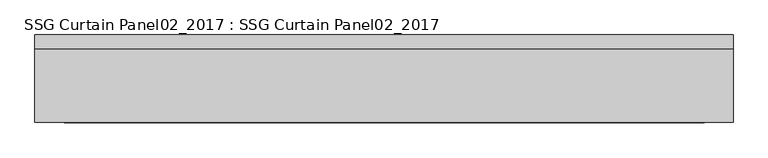
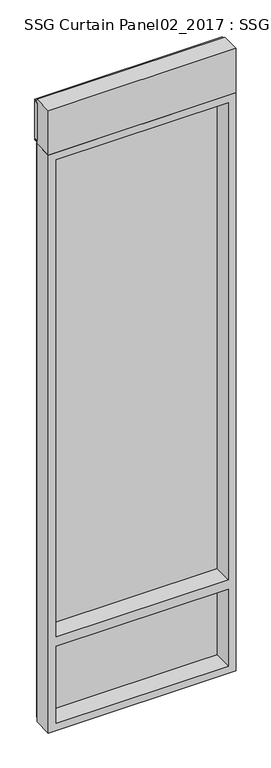
"""IFC4 building model written with IfcOpenShell, lengths in millimetres: plate geometry, SSG Curtain Panel02_2017 : SSG Curtain Panel02_2017."""

from ifc_helpers import new_model, si_unit, frame, origin, place, context, project, spatial, polyline, outline, extrude, faceted_brep, source, transform, mapped, element, save


def ssg_curtain_panel02_2017_ssg_curtain_panel02_2017_7f4b0baf(model_context):
    return source(origin(), model_context, "Body", "SolidModel", [
        faceted_brep([(558.8, -152.4, 50.8), (558.8, -25.4, 50.8), (-558.8, -25.4, 50.8), (-558.8, -152.4, 50.8), (609.6, -25.4, 0.0), (609.6, -152.4, 0.0), (-609.6, -152.4, 0.0), (-609.6, -25.4, 0.0), (596.9, 0.0, 12.7), (596.9, -25.4, 12.7), (-596.9, -25.4, 12.7), (-596.9, 0.0, 12.7), (590.55, -25.4, 19.05), (590.55, 0.0, 19.05), (-590.55, 0.0, 19.05), (-590.55, -25.4, 19.05), (-558.8, -25.4, 577.85), (-558.8, -152.4, 577.85), (-558.8, -25.4, 3911.6), (-558.8, -152.4, 3911.6), (-558.8, -152.4, 641.35), (-558.8, -25.4, 641.35), (-609.6, -152.4, 3962.4), (-609.6, -25.4, 3962.4), (-596.9, -25.4, 3949.7), (-596.9, 0.0, 3949.7), (-590.55, 0.0, 3943.35), (-590.55, -25.4, 3943.35), (558.8, -25.4, 3911.6), (558.8, -152.4, 3911.6), (609.6, -152.4, 3962.4), (609.6, -25.4, 3962.4), (596.9, -25.4, 3949.7), (596.9, 0.0, 3949.7), (590.55, 0.0, 3943.35), (590.55, -25.4, 3943.35), (558.8, -25.4, 577.85), (558.8, -25.4, 641.35), (584.2, -25.4, 603.25), (584.2, -25.4, 615.95), (-584.2, -25.4, 615.95), (-584.2, -25.4, 603.25), (558.8, -152.4, 577.85), (558.8, -152.4, 641.35), (584.2, 0.0, 603.25), (584.2, 0.0, 615.95), (-584.2, 0.0, 615.95), (-584.2, 0.0, 603.25)], [[[0, 1, 2, 3]], [[4, 5, 6, 7]], [[8, 9, 10, 11]], [[12, 13, 14, 15]], [[3, 2, 16, 17]], [[18, 19, 20, 21]], [[7, 6, 22, 23]], [[11, 10, 24, 25]], [[15, 14, 26, 27]], [[19, 18, 28, 29]], [[23, 22, 30, 31]], [[25, 24, 32, 33]], [[27, 26, 34, 35]], [[12, 15, 27, 35], [2, 1, 36, 16], [18, 21, 37, 28], [38, 39, 40, 41]], [[1, 0, 42, 36]], [[29, 28, 37, 43]], [[6, 5, 30, 22], [0, 3, 17, 42], [29, 43, 20, 19]], [[5, 4, 31, 30]], [[4, 7, 23, 31], [10, 9, 32, 24]], [[9, 8, 33, 32]], [[8, 11, 25, 33], [14, 13, 34, 26]], [[13, 12, 35, 34]], [[38, 44, 45, 39]], [[40, 46, 47, 41]], [[37, 21, 20, 43]], [[16, 36, 42, 17]], [[44, 38, 41, 47]], [[45, 44, 47, 46]], [[40, 39, 45, 46]]]),
        extrude(outline(polyline([(609.6, -25.4), (-609.6, -25.4), (-609.6, 0.0), (609.6, 0.0), (609.6, -25.4)])), frame((0.0, 0.0, 3987.8), z_axis=(0.0, 0.0, 1.0), x_axis=(1.0, 0.0, 0.0)), (0.0, 0.0, 1.0), 254.0),
        extrude(outline(polyline([(0.0, 3981.45), (0.0, 3975.1), (-25.4, 3975.1), (-25.4, 3962.4), (-152.4, 3962.4), (-152.4, 4267.2), (-25.4, 4267.2), (-25.4, 4254.5), (0.0, 4254.5), (0.0, 4248.15), (-25.4, 4248.15), (-25.4, 3981.45), (0.0, 3981.45)])), frame((-609.6, 0.0, 0.0), z_axis=(1.0, 0.0, 0.0), x_axis=(0.0, 1.0, 0.0)), (0.0, 0.0, 1.0), 1219.2),
        extrude(outline(polyline([(584.2, -25.4), (-584.2, -25.4), (-584.2, 0.0), (584.2, 0.0), (584.2, -25.4)])), frame((0.0, 0.0, 25.4), z_axis=(0.0, 0.0, 1.0), x_axis=(1.0, 0.0, 0.0)), (0.0, 0.0, 1.0), 571.5),
        extrude(outline(polyline([(584.2, -25.4), (-584.2, -25.4), (-584.2, 0.0), (584.2, 0.0), (584.2, -25.4)])), frame((0.0, 0.0, 622.3), z_axis=(0.0, 0.0, 1.0), x_axis=(1.0, 0.0, 0.0)), (0.0, 0.0, 1.0), 3314.7),
    ])


if __name__ == "__main__":
    model = new_model("IFC4")
    model_context = context("Model", 3, world=origin())
    ifc_project = project(units=[si_unit("LENGTHUNIT", "METRE", prefix="MILLI")], contexts=[model_context])
    site = spatial("IfcSite", under=ifc_project)
    building = spatial("IfcBuilding", under=site)
    placement = place(None, origin())
    ssg_curtain_panel02_2017_ssg_curtain_panel02_2017_shape = ssg_curtain_panel02_2017_ssg_curtain_panel02_2017_7f4b0baf(model_context)
    element("IfcPlate", 1, ObjectType="SSG Curtain Panel02_2017 : SSG Curtain Panel02_2017", at=placement, inside=building, context=model_context, shape_type="MappedRepresentation", body=[
        mapped(ssg_curtain_panel02_2017_ssg_curtain_panel02_2017_shape, transform((0.0, 0.0, 0.0), x_axis=(1.0, 0.0, 0.0), y_axis=(0.0, 1.0, 0.0), z_axis=(0.0, 0.0, 1.0))),
    ])
    save(model, "model.ifc")
